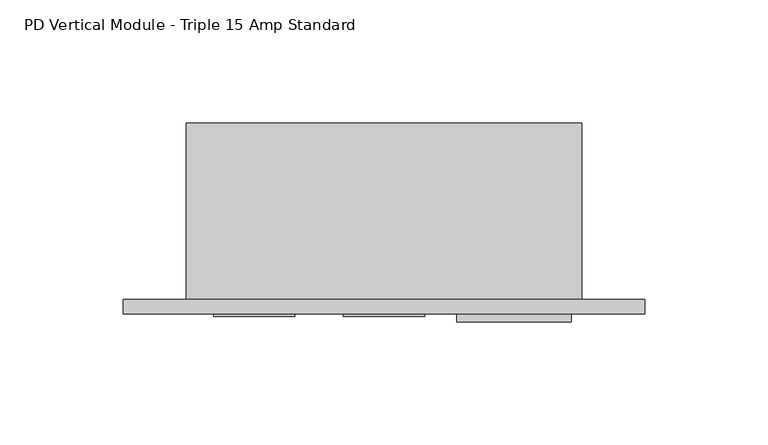
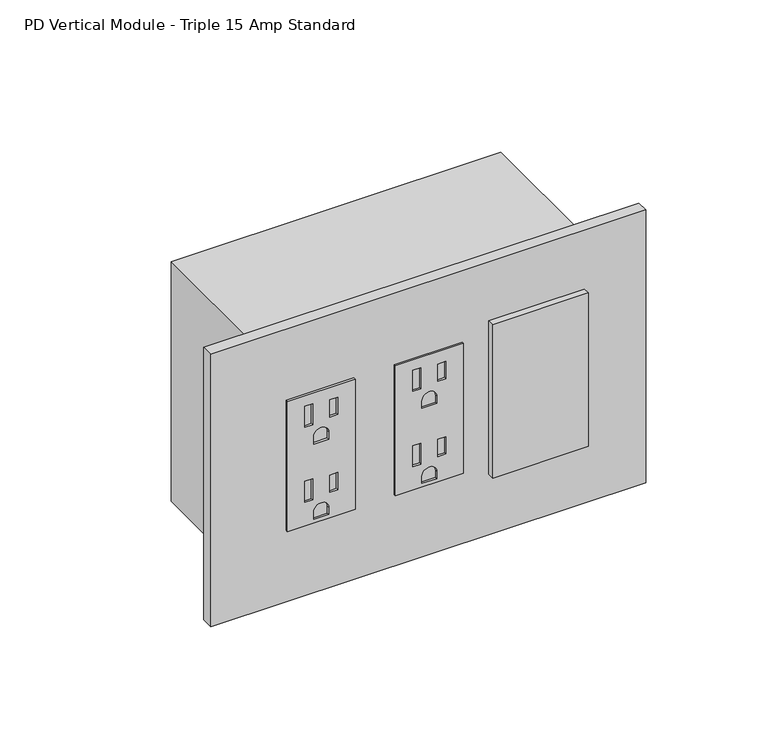
"""IFC4 building model written with IfcOpenShell, lengths in millimetres: proxy geometry, PD Vertical Module - Triple 15 Amp Standard."""

from ifc_helpers import new_model, si_unit, point, frame, frame_2d, origin, place, context, project, spatial, polyline, circle_curve, trimmed, segment, composite_curve, outline, extrude, source, transform, mapped, element, save


def pd_vertical_module_triple_15_amp_standard_a40d858c(model_context):
    return source(origin(), model_context, "Body", "SweptSolid", [
        extrude(outline(polyline([(490.6772, 96.7613), (490.6772, 63.7667), (423.7228, 63.7667), (423.7228, 96.7613), (490.6772, 96.7613)]), holes=[polyline([(485.2924, 76.1111), (474.472, 76.1111), (474.472, 72.2757), (485.2924, 72.2757), (485.2924, 76.1111)]), polyline([(484.3145, 88.2777), (475.4499, 88.2777), (475.4499, 84.4423), (484.3145, 84.4423), (484.3145, 88.2777)]), composite_curve([segment(polyline([(464.2866, 83.8962), (464.2866, 76.6318), (467.9188, 76.6318)]), True, "CONTINUOUS"), segment(trimmed(circle_curve(frame_2d((467.9188, 80.264)), 3.6322), [point((467.9188, 76.6318))], [point((467.9188, 83.8962))], True, "CARTESIAN"), True, "CONTINUOUS"), segment(polyline([(467.9188, 83.8962), (464.2866, 83.8962)]), True, "CONTINUOUS")], self_intersect=False), polyline([(446.5574, 76.1111), (435.737, 76.1111), (435.737, 72.2757), (446.5574, 72.2757), (446.5574, 76.1111)]), polyline([(445.5795, 88.2777), (436.7149, 88.2777), (436.7149, 84.4423), (445.5795, 84.4423), (445.5795, 88.2777)]), composite_curve([segment(polyline([(425.5516, 83.8962), (425.5516, 76.6318), (429.1838, 76.6318)]), True, "CONTINUOUS"), segment(trimmed(circle_curve(frame_2d((429.1838, 80.264)), 3.6322), [point((429.1838, 76.6318))], [point((429.1838, 83.8962))], True, "CARTESIAN"), True, "CONTINUOUS"), segment(polyline([(429.1838, 83.8962), (425.5516, 83.8962)]), True, "CONTINUOUS")], self_intersect=False)]), frame((0.0, -6.9294746, 0.0), z_axis=(0.0, 1.0, 0.0), x_axis=(0.0, 0.0, 1.0)), (0.0, 0.0, 1.0), 1.0366746),
        extrude(outline(polyline([(490.6772, 44.0944), (490.6772, 11.0998), (423.7228, 11.0998), (423.7228, 44.0944), (490.6772, 44.0944)]), holes=[polyline([(485.2924, 23.4442), (474.472, 23.4442), (474.472, 19.6088), (485.2924, 19.6088), (485.2924, 23.4442)]), polyline([(484.3145, 35.6108), (475.4499, 35.6108), (475.4499, 31.7754), (484.3145, 31.7754), (484.3145, 35.6108)]), composite_curve([segment(polyline([(464.2866, 31.2293), (464.2866, 23.9649), (467.9188, 23.9649)]), True, "CONTINUOUS"), segment(trimmed(circle_curve(frame_2d((467.9188, 27.5971)), 3.6322), [point((467.9188, 23.9649))], [point((467.9188, 31.2293))], True, "CARTESIAN"), True, "CONTINUOUS"), segment(polyline([(467.9188, 31.2293), (464.2866, 31.2293)]), True, "CONTINUOUS")], self_intersect=False), polyline([(446.5574, 23.4442), (435.737, 23.4442), (435.737, 19.6088), (446.5574, 19.6088), (446.5574, 23.4442)]), polyline([(445.5795, 35.6108), (436.7149, 35.6108), (436.7149, 31.7754), (445.5795, 31.7754), (445.5795, 35.6108)]), composite_curve([segment(polyline([(425.5516, 31.2293), (425.5516, 23.9649), (429.1838, 23.9649)]), True, "CONTINUOUS"), segment(trimmed(circle_curve(frame_2d((429.1838, 27.5971)), 3.6322), [point((429.1838, 23.9649))], [point((429.1838, 31.2293))], True, "CARTESIAN"), True, "CONTINUOUS"), segment(polyline([(429.1838, 31.2293), (425.5516, 31.2293)]), True, "CONTINUOUS")], self_intersect=False)]), frame((0.0, -6.9294746, 0.0), z_axis=(0.0, 1.0, 0.0), x_axis=(0.0, 0.0, 1.0)), (0.0, 0.0, 1.0), 1.0366746),
        extrude(outline(polyline([(109.8296, -5.8928), (156.3624, -5.8928), (156.3624, -9.0678), (109.8296, -9.0678), (109.8296, -5.8928)])), frame((0.0, 0.0, 417.9922742), z_axis=(0.0, 0.0, 1.0), x_axis=(1.0, 0.0, 0.0)), (0.0, 0.0, 1.0), 79.0448),
        extrude(outline(polyline([(-25.6794, 0.0), (186.2074, 0.0), (186.2074, -5.8928), (-25.6794, -5.8928), (-25.6794, 0.0)])), frame((0.0, 0.0, 387.0198), z_axis=(0.0, 0.0, 1.0), x_axis=(1.0, 0.0, 0.0)), (0.0, 0.0, 1.0), 140.3604),
        extrude(outline(polyline([(160.528, 0.0), (0.0, 0.0), (0.0, 71.7296), (160.528, 71.7296), (160.528, 0.0)])), frame((0.0, 0.0, 395.4526), z_axis=(0.0, 0.0, 1.0), x_axis=(1.0, 0.0, 0.0)), (0.0, 0.0, 1.0), 123.4948),
    ])


if __name__ == "__main__":
    model = new_model("IFC4")
    model_context = context("Model", 3, world=origin())
    ifc_project = project(units=[si_unit("LENGTHUNIT", "METRE", prefix="MILLI")], contexts=[model_context])
    site = spatial("IfcSite", under=ifc_project)
    building = spatial("IfcBuilding", under=site)
    placement = place(None, origin())
    pd_vertical_module_triple_15_amp_standard_shape = pd_vertical_module_triple_15_amp_standard_a40d858c(model_context)
    element("IfcBuildingElementProxy", 1, Name="PD Vertical Module - Triple 15 Amp Standard", ObjectType="PD Vertical Module - Triple 15 Amp Standard", at=placement, inside=building, context=model_context, shape_type="MappedRepresentation", body=[
        mapped(pd_vertical_module_triple_15_amp_standard_shape, transform((0.0, 0.0, 0.0), x_axis=(1.0, 0.0, 0.0), y_axis=(0.0, 1.0, 0.0), z_axis=(0.0, 0.0, 1.0))),
    ])
    save(model, "model.ifc")
